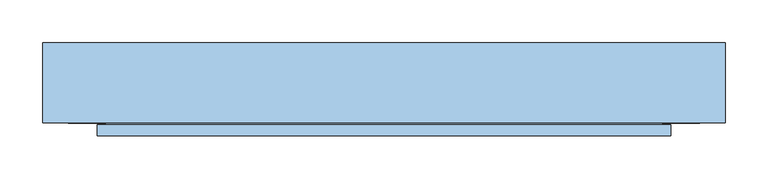
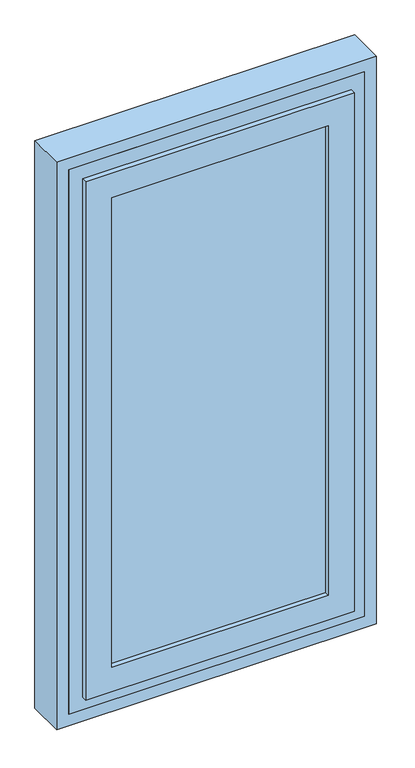
"""IFC4 building model written with IfcOpenShell, lengths in millimetres: window geometry."""

from ifc_helpers import new_model, si_unit, frame, origin, place, context, project, spatial, polyline, outline, extrude, faceted_brep, source, transform, mapped, element, save


def window_3885dcf3(model_context):
    return source(origin(), model_context, "Body", "SolidModel", [
        extrude(outline(polyline([(291.0, 107.0), (291.0, 104.0), (-291.0, 104.0), (-291.0, 107.0), (291.0, 107.0)])), frame((0.0, 0.0, 909.0), z_axis=(0.0, 0.0, 1.0), x_axis=(1.0, 0.0, 0.0)), (0.0, 0.0, 1.0), 1282.0),
        extrude(outline(polyline([(291.0, 164.0), (291.0, 161.0), (-291.0, 161.0), (-291.0, 164.0), (291.0, 164.0)])), frame((0.0, 0.0, 909.0), z_axis=(0.0, 0.0, 1.0), x_axis=(1.0, 0.0, 0.0)), (0.0, 0.0, 1.0), 1282.0),
        faceted_brep([(370.0, 200.0, 830.0), (370.0, 106.0, 830.0), (-370.0, 106.0, 830.0), (-370.0, 200.0, 830.0), (370.0, 200.0, 2270.0), (370.0, 106.0, 2270.0), (-370.0, 106.0, 2270.0), (328.0, 106.0, 2228.0), (328.0, 106.0, 872.0), (-328.0, 106.0, 872.0), (-328.0, 106.0, 2228.0), (-370.0, 200.0, 2270.0), (300.0, 200.0, 2200.0), (-300.0, 200.0, 2200.0), (-300.0, 200.0, 873.6286846), (300.0, 200.0, 873.6286846), (-300.0, 180.0, 2200.0), (-300.0, 180.0, 880.9080893), (-318.0, 180.0, 880.9080893), (-318.0, 177.0, 882.0), (318.0, 177.0, 882.0), (318.0, 180.0, 880.9080893), (300.0, 180.0, 880.9080893), (300.0, 180.0, 2200.0), (328.0, 150.0, 2228.0), (328.0, 150.0, 872.0), (-328.0, 150.0, 872.0), (-328.0, 150.0, 2228.0), (318.0, 150.0, 2218.0), (318.0, 150.0, 882.0), (-318.0, 150.0, 882.0), (-318.0, 150.0, 2218.0), (318.0, 180.0, 2218.0), (-318.0, 180.0, 2218.0)], [[[0, 1, 2, 3]], [[1, 0, 4, 5]], [[2, 1, 5, 6], [7, 8, 9, 10]], [[11, 3, 2, 6]], [[0, 3, 11, 4], [12, 13, 14, 15]], [[13, 16, 17, 14]], [[15, 14, 17, 18, 19, 20, 21, 22]], [[23, 12, 15, 22]], [[7, 24, 25, 8]], [[9, 8, 25, 26]], [[26, 27, 10, 9]], [[24, 27, 26, 25], [28, 29, 30, 31]], [[28, 32, 21, 20, 29]], [[30, 29, 20, 19]], [[33, 31, 30, 19, 18]], [[32, 33, 18, 17, 16, 23, 22, 21]], [[4, 11, 6, 5]], [[7, 10, 27, 24]], [[28, 31, 33, 32]], [[13, 12, 23, 16]]]),
        faceted_brep([(-271.0, 133.0, 2171.0), (-271.0, 107.0, 2171.0), (-271.0, 107.0, 929.0), (-271.0, 133.0, 929.0), (-291.0, 107.0, 909.0), (291.0, 107.0, 909.0), (291.0, 107.0, 2191.0), (-291.0, 107.0, 2191.0), (271.0, 107.0, 2171.0), (271.0, 107.0, 929.0), (271.0, 133.0, 929.0), (-326.0, 133.0, 2226.0), (326.0, 133.0, 2226.0), (326.0, 133.0, 874.0), (-326.0, 133.0, 874.0), (271.0, 133.0, 2171.0), (-326.0, 104.0, 2226.0), (-326.0, 104.0, 874.0), (326.0, 104.0, 874.0), (-336.0, 104.0, 2236.0), (336.0, 104.0, 2236.0), (336.0, 104.0, 864.0), (-336.0, 104.0, 864.0), (326.0, 104.0, 2226.0), (-336.0, 91.0, 2236.0), (-336.0, 91.0, 864.0), (336.0, 91.0, 864.0), (336.0, 91.0, 2236.0), (-271.0, 91.0, 2171.0), (271.0, 91.0, 2171.0), (271.0, 91.0, 929.0), (-271.0, 91.0, 929.0), (-271.0, 104.0, 2171.0), (-271.0, 104.0, 929.0), (271.0, 104.0, 929.0), (-291.0, 104.0, 2191.0), (291.0, 104.0, 2191.0), (291.0, 104.0, 909.0), (-291.0, 104.0, 909.0), (271.0, 104.0, 2171.0)], [[[0, 1, 2, 3]], [[4, 5, 6, 7], [1, 8, 9, 2]], [[3, 2, 9, 10]], [[11, 12, 13, 14], [3, 10, 15, 0]], [[16, 11, 14, 17]], [[17, 14, 13, 18]], [[19, 20, 21, 22], [17, 18, 23, 16]], [[24, 19, 22, 25]], [[25, 22, 21, 26]], [[25, 26, 27, 24], [28, 29, 30, 31]], [[32, 28, 31, 33]], [[33, 31, 30, 34]], [[35, 36, 37, 38], [33, 34, 39, 32]], [[7, 35, 38, 4]], [[4, 38, 37, 5]], [[10, 9, 8, 15]], [[18, 13, 12, 23]], [[26, 21, 20, 27]], [[34, 30, 29, 39]], [[5, 37, 36, 6]], [[15, 8, 1, 0]], [[23, 12, 11, 16]], [[27, 20, 19, 24]], [[39, 29, 28, 32]], [[6, 36, 35, 7]]]),
        faceted_brep([(-271.0, 177.0, 2171.0), (-271.0, 164.0, 2171.0), (-271.0, 164.0, 929.0), (-271.0, 177.0, 929.0), (-291.0, 164.0, 909.0), (291.0, 164.0, 909.0), (291.0, 164.0, 2191.0), (-291.0, 164.0, 2191.0), (271.0, 164.0, 2171.0), (271.0, 164.0, 929.0), (271.0, 177.0, 929.0), (-316.0, 177.0, 2216.0), (316.0, 177.0, 2216.0), (316.0, 177.0, 884.0), (-316.0, 177.0, 884.0), (271.0, 177.0, 2171.0), (-316.0, 148.0, 2216.0), (-316.0, 148.0, 884.0), (316.0, 148.0, 884.0), (-326.0, 148.0, 2226.0), (326.0, 148.0, 2226.0), (326.0, 148.0, 874.0), (-326.0, 148.0, 874.0), (316.0, 148.0, 2216.0), (-326.0, 135.0, 2226.0), (-326.0, 135.0, 874.0), (326.0, 135.0, 874.0), (326.0, 135.0, 2226.0), (-271.0, 135.0, 2171.0), (271.0, 135.0, 2171.0), (271.0, 135.0, 929.0), (-271.0, 135.0, 929.0), (-271.0, 161.0, 2171.0), (-271.0, 161.0, 929.0), (271.0, 161.0, 929.0), (-291.0, 161.0, 2191.0), (291.0, 161.0, 2191.0), (291.0, 161.0, 909.0), (-291.0, 161.0, 909.0), (271.0, 161.0, 2171.0)], [[[0, 1, 2, 3]], [[4, 5, 6, 7], [1, 8, 9, 2]], [[3, 2, 9, 10]], [[11, 12, 13, 14], [3, 10, 15, 0]], [[16, 11, 14, 17]], [[17, 14, 13, 18]], [[19, 20, 21, 22], [17, 18, 23, 16]], [[24, 19, 22, 25]], [[25, 22, 21, 26]], [[25, 26, 27, 24], [28, 29, 30, 31]], [[32, 28, 31, 33]], [[33, 31, 30, 34]], [[35, 36, 37, 38], [33, 34, 39, 32]], [[7, 35, 38, 4]], [[4, 38, 37, 5]], [[10, 9, 8, 15]], [[18, 13, 12, 23]], [[26, 21, 20, 27]], [[34, 30, 29, 39]], [[5, 37, 36, 6]], [[15, 8, 1, 0]], [[23, 12, 11, 16]], [[27, 20, 19, 24]], [[39, 29, 28, 32]], [[6, 36, 35, 7]]]),
        extrude(outline(polyline([(800.0, -400.0), (800.0, 400.0), (2300.0, 400.0), (2300.0, -400.0), (800.0, -400.0)]), holes=[polyline([(2270.0, -370.0), (2270.0, 370.0), (830.0, 370.0), (830.0, -370.0), (2270.0, -370.0)])]), frame((0.0, 106.0, 0.0), z_axis=(0.0, 1.0, 0.0), x_axis=(0.0, 0.0, 1.0)), (0.0, 0.0, 1.0), 94.0),
    ])


if __name__ == "__main__":
    model = new_model("IFC4")
    model_context = context("Model", 3, world=origin())
    ifc_project = project(units=[si_unit("LENGTHUNIT", "METRE", prefix="MILLI")], contexts=[model_context])
    site = spatial("IfcSite", under=ifc_project)
    building = spatial("IfcBuilding", under=site)
    placement = place(None, origin())
    window_shape = window_3885dcf3(model_context)
    element("IfcWindow", 1, at=placement, inside=building, context=model_context, shape_type="MappedRepresentation", body=[
        mapped(window_shape, transform((0.0, 0.0, 0.0), x_axis=(1.0, 0.0, 0.0), y_axis=(0.0, 1.0, 0.0), z_axis=(0.0, 0.0, 1.0))),
    ])
    save(model, "model.ifc")
